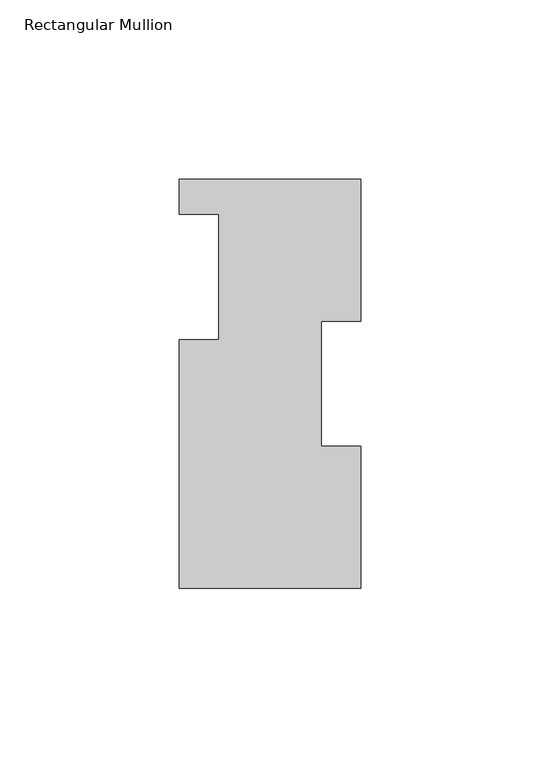
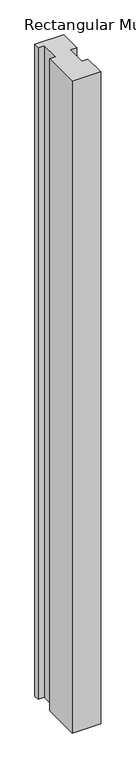
"""IFC4 building model written with IfcOpenShell, lengths in millimetres: member geometry, Rectangular Mullion."""

from ifc_helpers import new_model, si_unit, frame, origin, place, context, project, spatial, polyline, outline, extrude, source, transform, mapped, element, save


def rectangular_mullion_64a94725(model_context):
    return source(origin(), model_context, "Body", "SweptSolid", [
        extrude(outline(polyline([(25.4, 114.0729875), (25.4, 74.3981875), (14.2875, 74.3981875), (14.2875, 39.4477875), (25.4, 39.4477875), (25.4, -0.2270125), (-25.4, -0.2270125), (-25.4, 69.2419875), (-14.2875, 69.2419875), (-14.2875, 104.1669875), (-25.4, 104.1669875), (-25.4, 114.0729875), (25.4, 114.0729875)])), frame((0.0, 0.0, -1219.2), z_axis=(0.0, 0.0, 1.0), x_axis=(1.0, 0.0, 0.0)), (0.0, 0.0, 1.0), 1219.2),
    ])


if __name__ == "__main__":
    model = new_model("IFC4")
    model_context = context("Model", 3, world=origin())
    ifc_project = project(units=[si_unit("LENGTHUNIT", "METRE", prefix="MILLI")], contexts=[model_context])
    site = spatial("IfcSite", under=ifc_project)
    building = spatial("IfcBuilding", under=site)
    placement = place(None, origin())
    rectangular_mullion_shape = rectangular_mullion_64a94725(model_context)
    element("IfcMember", 1, ObjectType="Rectangular Mullion", at=placement, inside=building, context=model_context, shape_type="MappedRepresentation", body=[
        mapped(rectangular_mullion_shape, transform((0.0, 0.0, 0.0), x_axis=(1.0, 0.0, 0.0), y_axis=(0.0, 1.0, 0.0), z_axis=(0.0, 0.0, 1.0))),
    ])
    save(model, "model.ifc")
